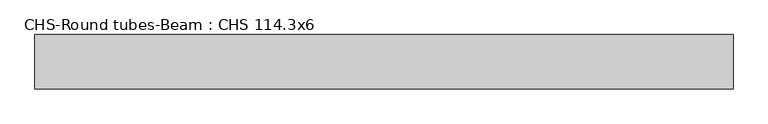
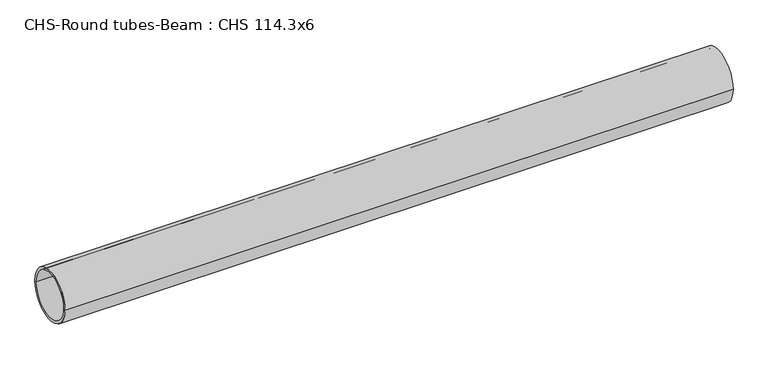
"""IFC4 building model written with IfcOpenShell, lengths in millimetres: beam geometry, CHS-Round tubes-Beam : CHS 114.3x6."""

from ifc_helpers import new_model, si_unit, point, frame, origin, origin_2d, place, context, project, spatial, circle_curve, trimmed, segment, composite_curve, outline, extrude, source, transform, mapped, element, save


def chs_round_tubes_beam_chs_114_3x6_34013f47(model_context):
    return source(origin(), model_context, "Body", "SweptSolid", [
        extrude(outline(composite_curve([segment(trimmed(circle_curve(origin_2d(), 57.15), [point((57.15, 0.0))], [point((-57.15, 0.0))], False, "CARTESIAN"), True, "CONTINUOUS"), segment(trimmed(circle_curve(origin_2d(), 57.15), [point((-57.15, 0.0))], [point((57.15, 0.0))], False, "CARTESIAN"), True, "CONTINUOUS")], self_intersect=False), holes=[composite_curve([segment(trimmed(circle_curve(origin_2d(), 51.15), [point((51.15, 0.0))], [point((-51.15, 0.0))], True, "CARTESIAN"), True, "CONTINUOUS"), segment(trimmed(circle_curve(origin_2d(), 51.15), [point((-51.15, 0.0))], [point((51.15, 0.0))], True, "CARTESIAN"), True, "CONTINUOUS")], self_intersect=False)]), frame((-703.1017712, 0.0, 0.0), z_axis=(1.0, 0.0, 0.0), x_axis=(0.0, 1.0, 0.0)), (0.0, 0.0, 1.0), 1467.8837893),
    ])


if __name__ == "__main__":
    model = new_model("IFC4")
    model_context = context("Model", 3, world=origin())
    ifc_project = project(units=[si_unit("LENGTHUNIT", "METRE", prefix="MILLI")], contexts=[model_context])
    site = spatial("IfcSite", under=ifc_project)
    building = spatial("IfcBuilding", under=site)
    placement = place(None, origin())
    chs_round_tubes_beam_chs_114_3x6_shape = chs_round_tubes_beam_chs_114_3x6_34013f47(model_context)
    element("IfcBeam", 1, ObjectType="CHS-Round tubes-Beam : CHS 114.3x6", at=placement, inside=building, context=model_context, shape_type="MappedRepresentation", body=[
        mapped(chs_round_tubes_beam_chs_114_3x6_shape, transform((0.0, 0.0, 0.0), x_axis=(1.0, 0.0, 0.0), y_axis=(0.0, 1.0, 0.0), z_axis=(0.0, 0.0, 1.0))),
    ])
    save(model, "model.ifc")
